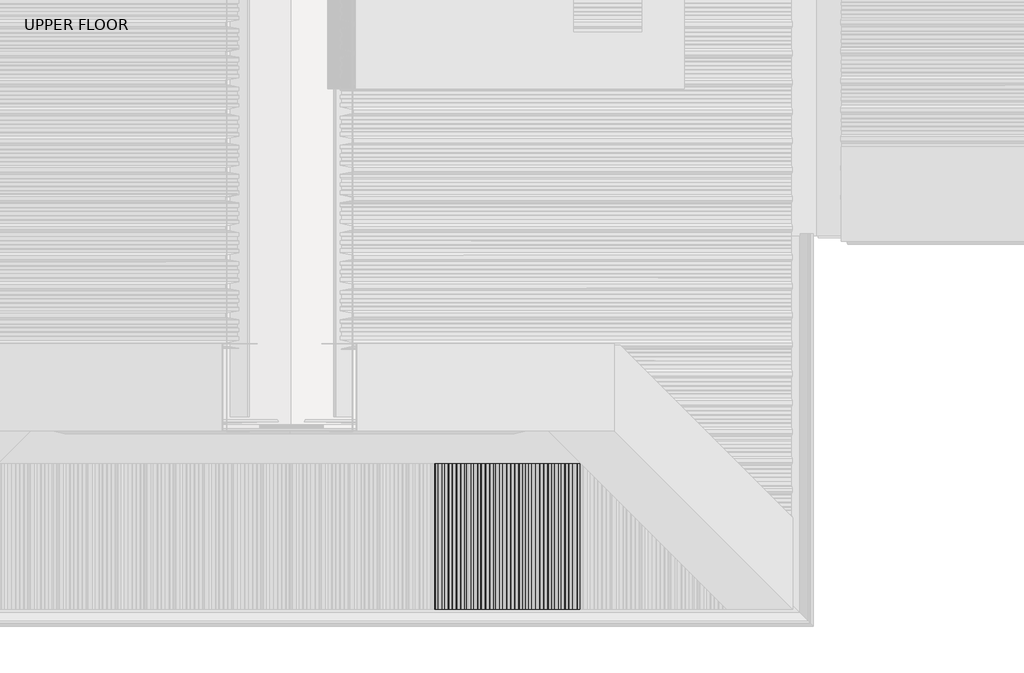
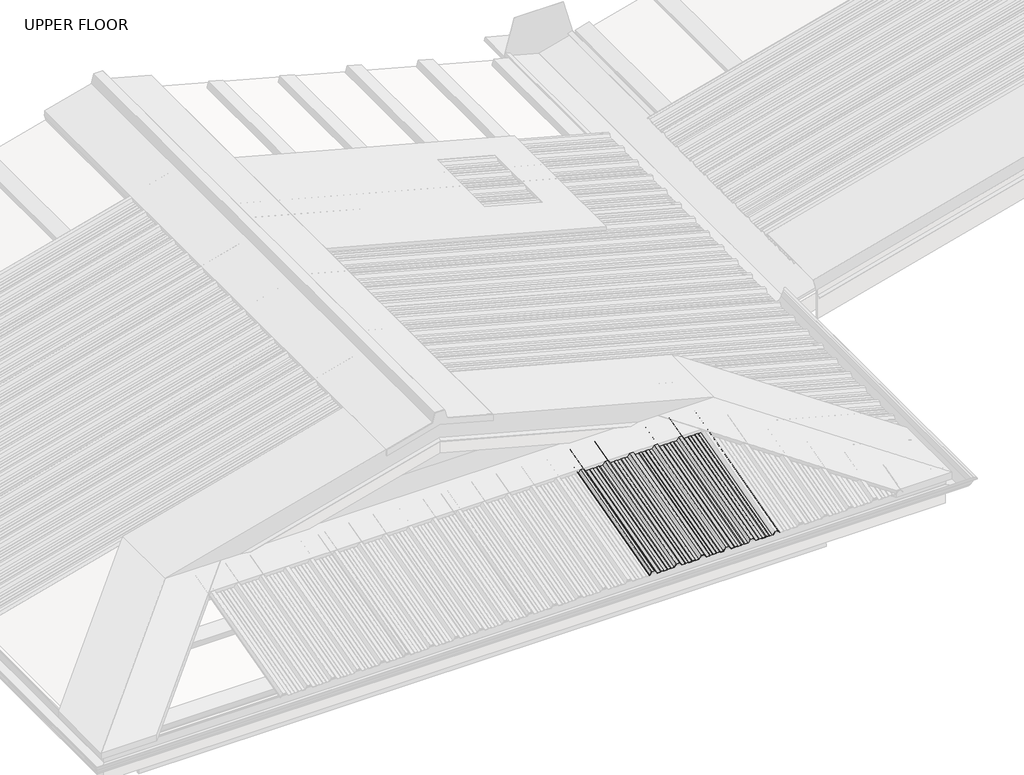
# One storey, part 9 of 18: 1 beam.
"""IFC4 building model written with IfcOpenShell, lengths in millimetres."""

import ifcopenshell
import ifcopenshell.guid

model = None  # the IFC model being written
_history = None  # IfcOwnerHistory: only IFC2X3 demands one
_inside = {}  # id of a spatial element -> (the spatial element, [elements in it])
_under = {}  # id of a project, library or spatial element -> (it, [spatial elements below it])
_declared = {}  # id of a project -> (the project, [libraries it declares])
_typed = {}  # id of a type object -> (the type object, [elements of that type])
_made_of = {}  # id of a material, layer set ... -> (it, [elements and type objects made of it])


def new_model(schema):
    """Start an empty IFC model of exactly this schema.

    Asked for "IFC4X3", IfcOpenShell would pick the latest addendum, in which some entities
    have other attributes; the version numbers below select the first issue.
    IFC2X3 requires an IfcOwnerHistory on every rooted entity: one is made here for all.
    """
    global model, _history
    if schema == "IFC4X3":
        model = ifcopenshell.file(schema_version=(4, 3, 0, 0))
    else:
        model = ifcopenshell.file(schema=schema)
    _inside.clear()
    _under.clear()
    _declared.clear()
    _typed.clear()
    _made_of.clear()
    _history = None
    if model.schema == "IFC2X3":
        org = make("IfcOrganization", Name="unknown")
        user = make(
            "IfcPersonAndOrganization",
            ThePerson=make("IfcPerson", FamilyName="unknown"),
            TheOrganization=org,
        )
        app = make(
            "IfcApplication",
            ApplicationDeveloper=org,
            Version="unknown",
            ApplicationFullName="unknown",
            ApplicationIdentifier="unknown",
        )
        _history = make(
            "IfcOwnerHistory",
            OwningUser=user,
            OwningApplication=app,
            ChangeAction="ADDED",
            CreationDate=0,
        )
    return model


def make(cls, **values):
    """One entity of the class cls with the attributes given. An attribute that is None is left unset."""
    return model.create_entity(
        cls, **{name: value for name, value in values.items() if value is not None}
    )


def rooted(cls, **values):
    """An entity with a GlobalId (a new one), such as an element, a storey or a relation."""
    return make(cls, GlobalId=ifcopenshell.guid.new(), OwnerHistory=_history, **values)


def si_unit(unit_type, name, prefix=None):
    """IfcSIUnit, for example si_unit("LENGTHUNIT", "METRE", prefix="MILLI")."""
    return make("IfcSIUnit", UnitType=unit_type, Prefix=prefix, Name=name)


def assignment(units):
    """IfcUnitAssignment: the units of a project."""
    return None if units is None else make("IfcUnitAssignment", Units=units)


def point(xyz):
    """IfcCartesianPoint."""
    return None if xyz is None else make("IfcCartesianPoint", Coordinates=xyz)


def direction(xyz):
    """IfcDirection."""
    return None if xyz is None else make("IfcDirection", DirectionRatios=xyz)


def frame(location, z_axis=None, x_axis=None):
    """IfcAxis2Placement3D, a coordinate frame: its origin and axes. An axis left out is left unset."""
    return make(
        "IfcAxis2Placement3D",
        Location=point(location),
        Axis=direction(z_axis),
        RefDirection=direction(x_axis),
    )


def origin():
    """The frame at (0, 0, 0) with its axes left unset."""
    return frame((0.0, 0.0, 0.0))


def place(relative_to, where):
    """IfcLocalPlacement: puts the frame where relative to a parent placement (None: the world)."""
    return make(
        "IfcLocalPlacement", PlacementRelTo=relative_to, RelativePlacement=where
    )


def context(
    kind, dimensions, precision=None, world=None, true_north=None, identifier=None
):
    """IfcGeometricRepresentationContext, for example the 3D "Model" context."""
    return make(
        "IfcGeometricRepresentationContext",
        ContextIdentifier=identifier,
        ContextType=kind,
        CoordinateSpaceDimension=dimensions,
        Precision=precision,
        WorldCoordinateSystem=world,
        TrueNorth=true_north,
    )


def project(units=None, contexts=None):
    """IfcProject with its units and contexts."""
    return rooted(
        "IfcProject",
        Name="project",
        RepresentationContexts=contexts,
        UnitsInContext=assignment(units),
    )


def spatial(cls, under=None, at=None, **own):
    """A site, building, storey or space (cls), placed at a placement, below another one or the project."""
    s = rooted(cls, ObjectPlacement=at, **own)
    if under is not None:
        _under.setdefault(under.id(), (under, []))[1].append(s)
    return s


def circle_curve(where, radius):
    """IfcCircle in the frame where."""
    return make("IfcCircle", Position=where, Radius=radius)


def ellipse_curve(where, semi_axis1, semi_axis2):
    """IfcEllipse in the frame where."""
    return make(
        "IfcEllipse", Position=where, SemiAxis1=semi_axis1, SemiAxis2=semi_axis2
    )


def shape(context_of_items, identifier, shape_type, items):
    """IfcShapeRepresentation: the items that make up one representation, for example the "Body"."""
    return make(
        "IfcShapeRepresentation",
        ContextOfItems=context_of_items,
        RepresentationIdentifier=identifier,
        RepresentationType=shape_type,
        Items=items,
    )


def made_of(thing, what):
    """Note that an element or type object is made of a material, layer set ...; save() writes the relation."""
    if what is not None:
        _made_of.setdefault(what.id(), (what, []))[1].append(thing)
    return thing


def element(
    cls,
    number,
    at=None,
    inside=None,
    cuts=None,
    type_object=None,
    material=None,
    context=None,
    identifier="Body",
    shape_type=None,
    held_by="IfcProductDefinitionShape",
    body=None,
    shapes=None,
    **own,
):
    """One element of the class cls, such as IfcWall. Its Tag is "e" and its number.

    at: its placement. inside: the storey or other place that contains it. cuts: it is an
    opening in that element (IfcRelVoidsElement). A single representation is given by context,
    identifier, shape_type and body (its items); several are given by shapes. held_by: the class
    of the entity that holds the representations. save() writes the other relations.
    """
    e = rooted(cls, Tag="e%d" % number, ObjectPlacement=at, **own)
    if body is not None:
        shapes = [shape(context, identifier, shape_type, body)]
    if shapes is not None:
        e.Representation = make(held_by, Representations=shapes)
    if inside is not None:
        _inside.setdefault(inside.id(), (inside, []))[1].append(e)
    if cuts is not None:
        rooted(
            "IfcRelVoidsElement", RelatingBuildingElement=cuts, RelatedOpeningElement=e
        )
    if type_object is not None:
        _typed.setdefault(type_object.id(), (type_object, []))[1].append(e)
    return made_of(e, material)


def aggregate(whole, parts):
    """IfcRelAggregates: a whole, such as a stair, and the parts it consists of."""
    return rooted("IfcRelAggregates", RelatingObject=whole, RelatedObjects=parts)


def save(model, path):
    """Write the relations noted so far, then the file.

    IfcRelAggregates (storeys below a building ...), IfcRelContainedInSpatialStructure (elements
    in a storey), IfcRelDefinesByType, IfcRelAssociatesMaterial and IfcRelDeclares: one each for
    every whole, place, type object, material and project.
    """
    for whole, parts in _under.values():
        aggregate(whole, parts)
    for where, things in _inside.values():
        rooted(
            "IfcRelContainedInSpatialStructure",
            RelatedElements=things,
            RelatingStructure=where,
        )
    for kind, things in _typed.values():
        rooted("IfcRelDefinesByType", RelatedObjects=things, RelatingType=kind)
    for what, things in _made_of.values():
        rooted("IfcRelAssociatesMaterial", RelatedObjects=things, RelatingMaterial=what)
    for by, libraries in _declared.values():
        rooted("IfcRelDeclares", RelatingContext=by, RelatedDefinitions=libraries)
    model.write(path)


def plane_surface(at):
    """IfcPlane: the flat surface through the origin of the frame at, square to its z axis."""
    return make("IfcPlane", Position=at)


def cylinder_surface(at, radius):
    """IfcCylindricalSurface: all points at the distance radius from the z axis of the frame at."""
    return make("IfcCylindricalSurface", Position=at, Radius=radius)


def advanced_brep(points, edges, surfaces, faces):
    """IfcAdvancedBrep: a solid bounded by faces that lie on surfaces and meet in shared edges.

    An edge is (start, end): straight between two places in points (the first is 0);
    or (start, end, curve); or (start, end, curve, False) where it runs against its curve.
    A face is (place in surfaces, loops), or (place, loops, False) where it looks against
    its surface's normal. A loop lists edges by number (the first is 1), with a minus sign
    where the edge is run from its end to its start. The first loop is the outer one.
    """
    corners = [point(p) for p in points]
    vertices = [make("IfcVertexPoint", VertexGeometry=c) for c in corners]
    made = []
    for start, end, *more in edges:
        made.append(
            make(
                "IfcEdgeCurve",
                EdgeStart=vertices[start],
                EdgeEnd=vertices[end],
                EdgeGeometry=more[0] if more else make("IfcPolyline", Points=[corners[start], corners[end]]),
                SameSense=more[1] if len(more) > 1 else True,
            )
        )
    hull = []
    for where, loops, *sense in faces:
        bounds = []
        for j, loop in enumerate(loops):
            ring = [make("IfcOrientedEdge", EdgeElement=made[abs(k) - 1], Orientation=k > 0) for k in loop]
            bounds.append(
                make(
                    "IfcFaceOuterBound" if j == 0 else "IfcFaceBound",
                    Bound=make("IfcEdgeLoop", EdgeList=ring),
                    Orientation=True,
                )
            )
        hull.append(make("IfcAdvancedFace", Bounds=bounds, FaceSurface=surfaces[where], SameSense=sense[0] if sense else True))
    return make("IfcAdvancedBrep", Outer=make("IfcClosedShell", CfsFaces=hull))


model = new_model("IFC4")

# Units and contexts
model_context = context("Model", 3, world=origin())
ifc_project = project(units=[si_unit("LENGTHUNIT", "METRE", prefix="MILLI")], contexts=[model_context])

# Site, building, storey
site = spatial("IfcSite", under=ifc_project)
building = spatial("IfcBuilding", under=site)
storey = spatial("IfcBuildingStorey", under=building, Name="UPPER FLOOR", Elevation=2700.0)

# Beam
placement = place(None, origin())
element("IfcBeam", 1, at=placement, inside=storey, context=model_context, shape_type="AdvancedBrep", body=[
    advanced_brep(
    [(3364.3188541, -3764.7308776, 3532.1969247), (3350.8194638, -3760.0721348, 3514.8102598), (3332.6633813, -3760.0721348, 3514.8102598), (3328.5367793, -3760.5897729, 3516.7421115), (3310.9299442, -3760.5897729, 3516.7421115), (3307.6657802, -3760.0721348, 3514.8102598), (3288.8928065, -3760.0721348, 3514.8102598), (3285.851348, -3760.5897729, 3516.7421115), (3270.1855441, -3760.5897729, 3516.7421115), (3267.1419022, -3760.0721348, 3514.8102598), (3246.8194638, -3760.0721348, 3514.8102598), (3233.3200734, -3764.7308776, 3532.1969247), (3214.3188541, -3764.7308776, 3532.1969247), (3200.8194638, -3760.0721348, 3514.8102598), (3182.6633813, -3760.0721348, 3514.8102598), (3178.5367793, -3760.5897729, 3516.7421115), (3160.9299442, -3760.5897729, 3516.7421115), (3157.6657802, -3760.0721348, 3514.8102598), (3138.8928065, -3760.0721348, 3514.8102598), (3135.851348, -3760.5897729, 3516.7421115), (3120.1855441, -3760.5897729, 3516.7421115), (3117.1419022, -3760.0721348, 3514.8102598), (3096.8194638, -3760.0721348, 3514.8102598), (3083.3200734, -3764.7308776, 3532.1969247), (3064.3188541, -3764.7308776, 3532.1969247), (3050.8194638, -3760.0721348, 3514.8102598), (3032.6633813, -3760.0721348, 3514.8102598), (3028.5367793, -3760.5897729, 3516.7421115), (3010.9299442, -3760.5897729, 3516.7421115), (3007.6657802, -3760.0721348, 3514.8102598), (2988.8928065, -3760.0721348, 3514.8102598), (2985.851348, -3760.5897729, 3516.7421115), (2970.1855441, -3760.5897729, 3516.7421115), (2967.1419022, -3760.0721348, 3514.8102598), (2946.8194638, -3760.0721348, 3514.8102598), (2933.3200734, -3764.7308776, 3532.1969247), (2914.3188541, -3764.7308776, 3532.1969247), (2900.8194638, -3760.0721348, 3514.8102598), (2882.6633813, -3760.0721348, 3514.8102598), (2878.5367793, -3760.5897729, 3516.7421115), (2860.9299442, -3760.5897729, 3516.7421115), (2857.6657802, -3760.0721348, 3514.8102598), (2838.8928065, -3760.0721348, 3514.8102598), (2835.851348, -3760.5897729, 3516.7421115), (2820.1855441, -3760.5897729, 3516.7421115), (2817.1419022, -3760.0721348, 3514.8102598), (2796.8194638, -3760.0721348, 3514.8102598), (2783.3200734, -3764.7308776, 3532.1969247), (2764.3188541, -3764.7308776, 3532.1969247), (2752.319396, -3760.5897729, 3516.7421115), (2748.6460788, -3760.5897729, 3516.7421115), (2748.6460788, -3760.8485919, 3517.7080373), (2751.8200056, -3760.8485919, 3517.7080373), (2763.8194638, -3764.9896966, 3533.1628505), (2783.8194638, -3764.9896966, 3533.1628505), (2797.3188541, -3760.3309538, 3515.7761857), (2816.8427512, -3760.3309538, 3515.7761857), (2819.8863931, -3760.8485919, 3517.7080373), (2836.1506785, -3760.8485919, 3517.7080373), (2839.192137, -3760.3309538, 3515.7761857), (2857.3837849, -3760.3309538, 3515.7761857), (2860.6479489, -3760.8485919, 3517.7080373), (2878.7663392, -3760.8485919, 3517.7080373), (2882.8929412, -3760.3309538, 3515.7761857), (2900.3200734, -3760.3309538, 3515.7761857), (2913.8194638, -3764.9896966, 3533.1628505), (2933.8194638, -3764.9896966, 3533.1628505), (2947.3188541, -3760.3309538, 3515.7761857), (2966.8427512, -3760.3309538, 3515.7761857), (2969.8863931, -3760.8485919, 3517.7080373), (2986.1506785, -3760.8485919, 3517.7080373), (2989.192137, -3760.3309538, 3515.7761857), (3007.3837849, -3760.3309538, 3515.7761857), (3010.6479489, -3760.8485919, 3517.7080373), (3028.7663392, -3760.8485919, 3517.7080373), (3032.8929412, -3760.3309538, 3515.7761857), (3050.3200734, -3760.3309538, 3515.7761857), (3063.8194638, -3764.9896966, 3533.1628505), (3083.8194638, -3764.9896966, 3533.1628505), (3097.3188541, -3760.3309538, 3515.7761857), (3116.8427512, -3760.3309538, 3515.7761857), (3119.8863931, -3760.8485919, 3517.7080373), (3136.1506785, -3760.8485919, 3517.7080373), (3139.192137, -3760.3309538, 3515.7761857), (3157.3837849, -3760.3309538, 3515.7761857), (3160.6479489, -3760.8485919, 3517.7080373), (3178.7663392, -3760.8485919, 3517.7080373), (3182.8929412, -3760.3309538, 3515.7761857), (3200.3200734, -3760.3309538, 3515.7761857), (3213.8194638, -3764.9896966, 3533.1628505), (3233.8194638, -3764.9896966, 3533.1628505), (3247.3188541, -3760.3309538, 3515.7761857), (3266.8427512, -3760.3309538, 3515.7761857), (3269.8863931, -3760.8485919, 3517.7080373), (3286.1506785, -3760.8485919, 3517.7080373), (3289.192137, -3760.3309538, 3515.7761857), (3307.3837849, -3760.3309538, 3515.7761857), (3310.6479489, -3760.8485919, 3517.7080373), (3328.7663392, -3760.8485919, 3517.7080373), (3332.8929412, -3760.3309538, 3515.7761857), (3350.3200734, -3760.3309538, 3515.7761857), (3363.8194638, -3764.9896966, 3533.1628505), (3383.8194638, -3764.9896966, 3533.1628505), (3397.3188541, -3760.3309538, 3515.7761857), (3416.8427512, -3760.3309538, 3515.7761857), (3419.8863931, -3760.8485919, 3517.7080373), (3436.1506785, -3760.8485919, 3517.7080373), (3439.192137, -3760.3309538, 3515.7761857), (3457.3837849, -3760.3309538, 3515.7761857), (3460.6479489, -3760.8485919, 3517.7080373), (3478.7663392, -3760.8485919, 3517.7080373), (3482.8929412, -3760.3309538, 3515.7761857), (3502.8200327, -3760.3309538, 3515.7761857), (3514.8194908, -3764.4720586, 3531.2309989), (3532.8194367, -3764.4720586, 3531.2309989), (3544.476707, -3760.4490454, 3516.2169095), (3543.6770929, -3760.2938359, 3515.6376597), (3532.3200463, -3764.2132395, 3530.265073), (3515.3188812, -3764.2132395, 3530.265073), (3503.3194231, -3760.0721348, 3514.8102598), (3482.6633813, -3760.0721348, 3514.8102598), (3478.5367793, -3760.5897729, 3516.7421115), (3460.9299442, -3760.5897729, 3516.7421115), (3457.6657802, -3760.0721348, 3514.8102598), (3438.8928065, -3760.0721348, 3514.8102598), (3435.851348, -3760.5897729, 3516.7421115), (3420.1855441, -3760.5897729, 3516.7421115), (3417.1419022, -3760.0721348, 3514.8102598), (3396.8194638, -3760.0721348, 3514.8102598), (3383.3200734, -3764.7308776, 3532.1969247), (3350.8194638, -4660.4975954, 3273.5419848), (3332.6633813, -4660.4975954, 3273.5419848), (3328.5367793, -4660.4975954, 3275.6125372), (3310.9299442, -4660.4975954, 3275.6125372), (3307.6657802, -4660.4975954, 3273.5419848), (3288.8928065, -4660.4975954, 3273.5419848), (3285.851348, -4660.4975954, 3275.6125372), (3270.1855441, -4660.4975954, 3275.6125372), (3267.1419022, -4660.4975954, 3273.5419848), (3246.8194638, -4660.4975954, 3273.5419848), (3233.3200734, -4660.4975954, 3292.176956), (3214.3188541, -4660.4975954, 3292.176956), (3200.8194638, -4660.4975954, 3273.5419848), (3182.6633813, -4660.4975954, 3273.5419848), (3178.5367793, -4660.4975954, 3275.6125372), (3160.9299442, -4660.4975954, 3275.6125372), (3157.6657802, -4660.4975954, 3273.5419848), (3138.8928065, -4660.4975954, 3273.5419848), (3135.851348, -4660.4975954, 3275.6125372), (3120.1855441, -4660.4975954, 3275.6125372), (3117.1419022, -4660.4975954, 3273.5419848), (3096.8194638, -4660.4975954, 3273.5419848), (3083.3200734, -4660.4975954, 3292.176956), (3064.3188541, -4660.4975954, 3292.176956), (3050.8194638, -4660.4975954, 3273.5419848), (3032.6633813, -4660.4975954, 3273.5419848), (3028.5367793, -4660.4975954, 3275.6125372), (3010.9299442, -4660.4975954, 3275.6125372), (3007.6657802, -4660.4975954, 3273.5419848), (2988.8928065, -4660.4975954, 3273.5419848), (2985.851348, -4660.4975954, 3275.6125372), (2970.1855441, -4660.4975954, 3275.6125372), (2967.1419022, -4660.4975954, 3273.5419848), (2946.8194638, -4660.4975954, 3273.5419848), (2933.3200734, -4660.4975954, 3292.176956), (2914.3188541, -4660.4975954, 3292.176956), (2900.8194638, -4660.4975954, 3273.5419848), (2882.6633813, -4660.4975954, 3273.5419848), (2878.5367793, -4660.4975954, 3275.6125372), (2860.9299442, -4660.4975954, 3275.6125372), (2857.6657802, -4660.4975954, 3273.5419848), (2838.8928065, -4660.4975954, 3273.5419848), (2835.851348, -4660.4975954, 3275.6125372), (2820.1855441, -4660.4975954, 3275.6125372), (2817.1419022, -4660.4975954, 3273.5419848), (2796.8194638, -4660.4975954, 3273.5419848), (2783.3200734, -4660.4975954, 3292.176956), (2764.3188541, -4660.4975954, 3292.176956), (2752.319396, -4660.4975954, 3275.6125372), (2748.6460788, -4660.4975954, 3275.6125372), (2748.6460788, -4660.4975954, 3276.6478133), (2751.8200056, -4660.4975954, 3276.6478133), (2763.8194638, -4660.4975954, 3293.2122322), (2783.8194638, -4660.4975954, 3293.2122322), (2797.3188541, -4660.4975954, 3274.577261), (2816.8427512, -4660.4975954, 3274.577261), (2819.8863931, -4660.4975954, 3276.6478133), (2836.1506785, -4660.4975954, 3276.6478133), (2839.192137, -4660.4975954, 3274.577261), (2857.3837849, -4660.4975954, 3274.577261), (2860.6479489, -4660.4975954, 3276.6478133), (2878.7663392, -4660.4975954, 3276.6478133), (2882.8929412, -4660.4975954, 3274.577261), (2900.3200734, -4660.4975954, 3274.577261), (2913.8194638, -4660.4975954, 3293.2122322), (2933.8194638, -4660.4975954, 3293.2122322), (2947.3188541, -4660.4975954, 3274.577261), (2966.8427512, -4660.4975954, 3274.577261), (2969.8863931, -4660.4975954, 3276.6478133), (2986.1506785, -4660.4975954, 3276.6478133), (2989.192137, -4660.4975954, 3274.577261), (3007.3837849, -4660.4975954, 3274.577261), (3010.6479489, -4660.4975954, 3276.6478133), (3028.7663392, -4660.4975954, 3276.6478133), (3032.8929412, -4660.4975954, 3274.577261), (3050.3200734, -4660.4975954, 3274.577261), (3063.8194638, -4660.4975954, 3293.2122322), (3083.8194638, -4660.4975954, 3293.2122322), (3097.3188541, -4660.4975954, 3274.577261), (3116.8427512, -4660.4975954, 3274.577261), (3119.8863931, -4660.4975954, 3276.6478133), (3136.1506785, -4660.4975954, 3276.6478133), (3139.192137, -4660.4975954, 3274.577261), (3157.3837849, -4660.4975954, 3274.577261), (3160.6479489, -4660.4975954, 3276.6478133), (3178.7663392, -4660.4975954, 3276.6478133), (3182.8929412, -4660.4975954, 3274.577261), (3200.3200734, -4660.4975954, 3274.577261), (3213.8194638, -4660.4975954, 3293.2122322), (3233.8194638, -4660.4975954, 3293.2122322), (3247.3188541, -4660.4975954, 3274.577261), (3266.8427512, -4660.4975954, 3274.577261), (3269.8863931, -4660.4975954, 3276.6478133), (3286.1506785, -4660.4975954, 3276.6478133), (3289.192137, -4660.4975954, 3274.577261), (3307.3837849, -4660.4975954, 3274.577261), (3310.6479489, -4660.4975954, 3276.6478133), (3328.7663392, -4660.4975954, 3276.6478133), (3332.8929412, -4660.4975954, 3274.577261), (3350.3200734, -4660.4975954, 3274.577261), (3363.8194638, -4660.4975954, 3293.2122322), (3383.8194638, -4660.4975954, 3293.2122322), (3397.3188541, -4660.4975954, 3274.577261), (3416.8427512, -4660.4975954, 3274.577261), (3419.8863931, -4660.4975954, 3276.6478133), (3436.1506785, -4660.4975954, 3276.6478133), (3439.192137, -4660.4975954, 3274.577261), (3457.3837849, -4660.4975954, 3274.577261), (3460.6479489, -4660.4975954, 3276.6478133), (3478.7663392, -4660.4975954, 3276.6478133), (3482.8929412, -4660.4975954, 3274.577261), (3502.8200327, -4660.4975954, 3274.577261), (3514.8194908, -4660.4975954, 3291.1416799), (3532.8194367, -4660.4975954, 3291.1416799), (3364.3188541, -4660.4975954, 3292.176956), (3544.476707, -4660.4975954, 3275.0496274), (3543.6770929, -4660.4975954, 3274.4287893), (3532.3200463, -4660.4975954, 3290.1064037), (3515.3188812, -4660.4975954, 3290.1064037), (3503.3194231, -4660.4975954, 3273.5419848), (3482.6633813, -4660.4975954, 3273.5419848), (3478.5367793, -4660.4975954, 3275.6125372), (3460.9299442, -4660.4975954, 3275.6125372), (3457.6657802, -4660.4975954, 3273.5419848), (3438.8928065, -4660.4975954, 3273.5419848), (3435.851348, -4660.4975954, 3275.6125372), (3420.1855441, -4660.4975954, 3275.6125372), (3417.1419022, -4660.4975954, 3273.5419848), (3396.8194638, -4660.4975954, 3273.5419848), (3383.3200734, -4660.4975954, 3292.176956)],
    [
        (0, 1),
        (1, 2),
        (2, 3),
        (3, 4),
        (4, 5),
        (5, 6),
        (6, 7),
        (7, 8),
        (8, 9),
        (9, 10),
        (10, 11),
        (11, 12),
        (12, 13),
        (13, 14),
        (14, 15),
        (15, 16),
        (16, 17),
        (17, 18),
        (18, 19),
        (19, 20),
        (20, 21),
        (21, 22),
        (22, 23),
        (23, 24),
        (24, 25),
        (25, 26),
        (26, 27),
        (27, 28),
        (28, 29),
        (29, 30),
        (30, 31),
        (31, 32),
        (32, 33),
        (33, 34),
        (34, 35),
        (35, 36),
        (36, 37),
        (37, 38),
        (38, 39),
        (39, 40),
        (40, 41),
        (41, 42),
        (42, 43),
        (43, 44),
        (44, 45),
        (45, 46),
        (46, 47),
        (47, 48),
        (48, 49),
        (49, 50),
        (50, 51, circle_curve(frame((2748.6460788, -3760.7191824, 3517.2250744), z_axis=(0.0, 0.9659258262890683, 0.2588190451025206), x_axis=(-1.0000000000000002, 0.0, 0.0)), 0.5)),
        (51, 52),
        (52, 53),
        (53, 54),
        (54, 55),
        (55, 56),
        (56, 57),
        (57, 58),
        (58, 59),
        (59, 60),
        (60, 61),
        (61, 62),
        (62, 63),
        (63, 64),
        (64, 65),
        (65, 66),
        (66, 67),
        (67, 68),
        (68, 69),
        (69, 70),
        (70, 71),
        (71, 72),
        (72, 73),
        (73, 74),
        (74, 75),
        (75, 76),
        (76, 77),
        (77, 78),
        (78, 79),
        (79, 80),
        (80, 81),
        (81, 82),
        (82, 83),
        (83, 84),
        (84, 85),
        (85, 86),
        (86, 87),
        (87, 88),
        (88, 89),
        (89, 90),
        (90, 91),
        (91, 92),
        (92, 93),
        (93, 94),
        (94, 95),
        (95, 96),
        (96, 97),
        (97, 98),
        (98, 99),
        (99, 100),
        (100, 101),
        (101, 102),
        (102, 103),
        (103, 104),
        (104, 105),
        (105, 106),
        (106, 107),
        (107, 108),
        (108, 109),
        (109, 110),
        (110, 111),
        (111, 112),
        (112, 113),
        (113, 114),
        (114, 115),
        (115, 116, circle_curve(frame((3544.0769, -3760.3714407, 3515.9272846), z_axis=(0.0, 0.9659258262890683, 0.2588190451025206), x_axis=(-1.0000000000000002, 0.0, 0.0)), 0.4997507)),
        (116, 117),
        (117, 118),
        (118, 119),
        (119, 120),
        (120, 121),
        (121, 122),
        (122, 123),
        (123, 124),
        (124, 125),
        (125, 126),
        (126, 127),
        (127, 128),
        (128, 129),
        (129, 0),
        (1, 130),
        (130, 131),
        (131, 2),
        (131, 132),
        (132, 3),
        (132, 133),
        (133, 4),
        (133, 134),
        (134, 5),
        (134, 135),
        (135, 6),
        (135, 136),
        (136, 7),
        (136, 137),
        (137, 8),
        (137, 138),
        (138, 9),
        (138, 139),
        (139, 10),
        (139, 140),
        (140, 11),
        (140, 141),
        (141, 12),
        (141, 142),
        (142, 13),
        (142, 143),
        (143, 14),
        (143, 144),
        (144, 15),
        (144, 145),
        (145, 16),
        (145, 146),
        (146, 17),
        (146, 147),
        (147, 18),
        (147, 148),
        (148, 19),
        (148, 149),
        (149, 20),
        (149, 150),
        (150, 21),
        (150, 151),
        (151, 22),
        (151, 152),
        (152, 23),
        (152, 153),
        (153, 24),
        (153, 154),
        (154, 25),
        (154, 155),
        (155, 26),
        (155, 156),
        (156, 27),
        (156, 157),
        (157, 28),
        (157, 158),
        (158, 29),
        (158, 159),
        (159, 30),
        (159, 160),
        (160, 31),
        (160, 161),
        (161, 32),
        (161, 162),
        (162, 33),
        (162, 163),
        (163, 34),
        (163, 164),
        (164, 35),
        (164, 165),
        (165, 36),
        (165, 166),
        (166, 37),
        (166, 167),
        (167, 38),
        (167, 168),
        (168, 39),
        (168, 169),
        (169, 40),
        (169, 170),
        (170, 41),
        (170, 171),
        (171, 42),
        (171, 172),
        (172, 43),
        (172, 173),
        (173, 44),
        (173, 174),
        (174, 45),
        (174, 175),
        (175, 46),
        (175, 176),
        (176, 47),
        (176, 177),
        (177, 48),
        (177, 178),
        (178, 49),
        (178, 179),
        (179, 50),
        (179, 180, ellipse_curve(frame((2748.6460788, -4660.4975954, 3276.1301752), z_axis=(0.0, 1.0, 0.0), x_axis=(0.0, 0.0, 1.0)), 0.5176381, 0.5)),
        (180, 51),
        (180, 181),
        (181, 52),
        (181, 182),
        (182, 53),
        (182, 183),
        (183, 54),
        (183, 184),
        (184, 55),
        (184, 185),
        (185, 56),
        (185, 186),
        (186, 57),
        (186, 187),
        (187, 58),
        (187, 188),
        (188, 59),
        (188, 189),
        (189, 60),
        (189, 190),
        (190, 61),
        (190, 191),
        (191, 62),
        (191, 192),
        (192, 63),
        (192, 193),
        (193, 64),
        (193, 194),
        (194, 65),
        (194, 195),
        (195, 66),
        (195, 196),
        (196, 67),
        (196, 197),
        (197, 68),
        (197, 198),
        (198, 69),
        (198, 199),
        (199, 70),
        (199, 200),
        (200, 71),
        (200, 201),
        (201, 72),
        (201, 202),
        (202, 73),
        (202, 203),
        (203, 74),
        (203, 204),
        (204, 75),
        (204, 205),
        (205, 76),
        (205, 206),
        (206, 77),
        (206, 207),
        (207, 78),
        (207, 208),
        (208, 79),
        (208, 209),
        (209, 80),
        (209, 210),
        (210, 81),
        (210, 211),
        (211, 82),
        (211, 212),
        (212, 83),
        (212, 213),
        (213, 84),
        (213, 214),
        (214, 85),
        (214, 215),
        (215, 86),
        (215, 216),
        (216, 87),
        (216, 217),
        (217, 88),
        (217, 218),
        (218, 89),
        (218, 219),
        (219, 90),
        (219, 220),
        (220, 91),
        (220, 221),
        (221, 92),
        (221, 222),
        (222, 93),
        (222, 223),
        (223, 94),
        (223, 224),
        (224, 95),
        (224, 225),
        (225, 96),
        (225, 226),
        (226, 97),
        (226, 227),
        (227, 98),
        (227, 228),
        (228, 99),
        (228, 229),
        (229, 100),
        (229, 230),
        (230, 101),
        (230, 231),
        (231, 102),
        (231, 232),
        (232, 103),
        (232, 233),
        (233, 104),
        (233, 234),
        (234, 105),
        (234, 235),
        (235, 106),
        (235, 236),
        (236, 107),
        (236, 237),
        (237, 108),
        (237, 238),
        (238, 109),
        (238, 239),
        (239, 110),
        (239, 240),
        (240, 111),
        (240, 241),
        (241, 112),
        (241, 242),
        (242, 113),
        (242, 243),
        (243, 114),
        (0, 244),
        (244, 130),
        (243, 245),
        (245, 115),
        (245, 246, ellipse_curve(frame((3544.0769, -4660.4975954, 3274.7392084), z_axis=(0.0, 1.0, 0.0), x_axis=(0.0, 0.0, 1.0)), 0.51738, 0.4997507)),
        (246, 116),
        (246, 247),
        (247, 117),
        (247, 248),
        (248, 118),
        (248, 249),
        (249, 119),
        (249, 250),
        (250, 120),
        (250, 251),
        (251, 121),
        (251, 252),
        (252, 122),
        (252, 253),
        (253, 123),
        (253, 254),
        (254, 124),
        (254, 255),
        (255, 125),
        (255, 256),
        (256, 126),
        (256, 257),
        (257, 127),
        (257, 258),
        (258, 128),
        (258, 259),
        (259, 129),
        (259, 244),
    ],
    [
        plane_surface(frame((3364.3188541, -3764.7308776, 3532.1969247), z_axis=(0.0, 0.9659258262890682, 0.2588190451025203), x_axis=(-0.5999826594493575, 0.20705860205458618, -0.7727532230118983))),
        plane_surface(frame((3350.8194638, -3760.0721348, 3514.8102598), z_axis=(0.0, 0.2588190451025206, -0.9659258262890683), x_axis=(0.0, -0.9659258262890683, -0.2588190451025206))),
        plane_surface(frame((3332.6633813, -3760.0721348, 3514.8102598), z_axis=(-0.4361363616997869, 0.23290623468573943, -0.8692179012467379), x_axis=(0.0, -0.9659258262890683, -0.2588190451025206))),
        plane_surface(frame((3328.5367793, -3760.5897729, 3516.7421115), z_axis=(0.0, 0.2588190451025206, -0.9659258262890683), x_axis=(0.0, -0.9659258262890683, -0.2588190451025206))),
        plane_surface(frame((3310.9299442, -3760.5897729, 3516.7421115), z_axis=(0.5224449573493026, 0.22068801492462864, -0.8236188843202371), x_axis=(0.0, -0.9659258262890683, -0.2588190451025206))),
        plane_surface(frame((3307.6657802, -3760.0721348, 3514.8102598), z_axis=(0.0, 0.2588190451025206, -0.9659258262890683), x_axis=(0.0, -0.9659258262890683, -0.2588190451025206))),
        plane_surface(frame((3288.8928065, -3760.0721348, 3514.8102598), z_axis=(-0.5494325148836686, 0.21625317242009726, -0.8070678267697524), x_axis=(0.0, -0.9659258262890683, -0.2588190451025206))),
        plane_surface(frame((3285.851348, -3760.5897729, 3516.7421115), z_axis=(0.0, 0.2588190451025206, -0.9659258262890683), x_axis=(0.0, -0.9659258262890683, -0.2588190451025206))),
        plane_surface(frame((3270.1855441, -3760.5897729, 3516.7421115), z_axis=(0.5491572662555921, 0.21630000128988627, -0.8072425944910736), x_axis=(0.0, -0.9659258262890683, -0.2588190451025206))),
        plane_surface(frame((3267.1419022, -3760.0721348, 3514.8102598), z_axis=(0.0, 0.2588190451025206, -0.9659258262890683), x_axis=(0.0, -0.9659258262890683, -0.2588190451025206))),
        plane_surface(frame((3246.8194638, -3760.0721348, 3514.8102598), z_axis=(-0.8000130051193381, 0.1552869389967553, -0.5795387460877346), x_axis=(0.0, -0.9659258262890683, -0.2588190451025206))),
        plane_surface(frame((3233.3200734, -3764.7308776, 3532.1969247), z_axis=(0.0, 0.2588190451025206, -0.9659258262890683), x_axis=(0.0, -0.9659258262890683, -0.2588190451025206))),
        plane_surface(frame((3214.3188541, -3764.7308776, 3532.1969247), z_axis=(0.8000130051193399, 0.15528693899675203, -0.5795387460877333), x_axis=(0.0, -0.9659258262890683, -0.2588190451025206))),
        plane_surface(frame((3200.8194638, -3760.0721348, 3514.8102598), z_axis=(0.0, 0.2588190451025206, -0.9659258262890683), x_axis=(0.0, -0.9659258262890683, -0.2588190451025206))),
        plane_surface(frame((3182.6633813, -3760.0721348, 3514.8102598), z_axis=(-0.43613636169978254, 0.23290623468573998, -0.86921790124674), x_axis=(0.0, -0.9659258262890683, -0.2588190451025206))),
        plane_surface(frame((3178.5367793, -3760.5897729, 3516.7421115), z_axis=(0.0, 0.2588190451025206, -0.9659258262890683), x_axis=(0.0, -0.9659258262890683, -0.2588190451025206))),
        plane_surface(frame((3160.9299442, -3760.5897729, 3516.7421115), z_axis=(0.5224449573492956, 0.22068801492462986, -0.8236188843202413), x_axis=(0.0, -0.9659258262890683, -0.2588190451025206))),
        plane_surface(frame((3157.6657802, -3760.0721348, 3514.8102598), z_axis=(0.0, 0.2588190451025206, -0.9659258262890683), x_axis=(0.0, -0.9659258262890683, -0.2588190451025206))),
        plane_surface(frame((3138.8928065, -3760.0721348, 3514.8102598), z_axis=(-0.5494325148836601, 0.21625317242009867, -0.8070678267697579), x_axis=(0.0, -0.9659258262890683, -0.2588190451025206))),
        plane_surface(frame((3135.851348, -3760.5897729, 3516.7421115), z_axis=(0.0, 0.2588190451025206, -0.9659258262890683), x_axis=(0.0, -0.9659258262890683, -0.2588190451025206))),
        plane_surface(frame((3120.1855441, -3760.5897729, 3516.7421115), z_axis=(0.5491572662555921, 0.21630000128988627, -0.8072425944910736), x_axis=(0.0, -0.9659258262890683, -0.2588190451025206))),
        plane_surface(frame((3117.1419022, -3760.0721348, 3514.8102598), z_axis=(0.0, 0.2588190451025206, -0.9659258262890683), x_axis=(0.0, -0.9659258262890683, -0.2588190451025206))),
        plane_surface(frame((3096.8194638, -3760.0721348, 3514.8102598), z_axis=(-0.8000130051193369, 0.1552869389967557, -0.5795387460877361), x_axis=(0.0, -0.9659258262890683, -0.2588190451025206))),
        plane_surface(frame((3083.3200734, -3764.7308776, 3532.1969247), z_axis=(0.0, 0.2588190451025206, -0.9659258262890683), x_axis=(0.0, -0.9659258262890683, -0.2588190451025206))),
        plane_surface(frame((3064.3188541, -3764.7308776, 3532.1969247), z_axis=(0.8000130051193418, 0.15528693899675125, -0.5795387460877306), x_axis=(0.0, -0.9659258262890683, -0.2588190451025206))),
        plane_surface(frame((3050.8194638, -3760.0721348, 3514.8102598), z_axis=(0.0, 0.2588190451025206, -0.9659258262890683), x_axis=(0.0, -0.9659258262890683, -0.2588190451025206))),
        plane_surface(frame((3032.6633813, -3760.0721348, 3514.8102598), z_axis=(-0.43613636169979125, 0.23290623468573884, -0.8692179012467358), x_axis=(0.0, -0.9659258262890683, -0.2588190451025206))),
        plane_surface(frame((3028.5367793, -3760.5897729, 3516.7421115), z_axis=(0.0, 0.2588190451025206, -0.9659258262890683), x_axis=(0.0, -0.9659258262890683, -0.2588190451025206))),
        plane_surface(frame((3010.9299442, -3760.5897729, 3516.7421115), z_axis=(0.5224449573492987, 0.22068801492462933, -0.8236188843202394), x_axis=(0.0, -0.9659258262890683, -0.2588190451025206))),
        plane_surface(frame((3007.6657802, -3760.0721348, 3514.8102598), z_axis=(0.0, 0.2588190451025206, -0.9659258262890683), x_axis=(0.0, -0.9659258262890683, -0.2588190451025206))),
        plane_surface(frame((2988.8928065, -3760.0721348, 3514.8102598), z_axis=(-0.5494325148836686, 0.21625317242009723, -0.8070678267697524), x_axis=(0.0, -0.9659258262890683, -0.2588190451025206))),
        plane_surface(frame((2985.851348, -3760.5897729, 3516.7421115), z_axis=(0.0, 0.2588190451025206, -0.9659258262890683), x_axis=(0.0, -0.9659258262890683, -0.2588190451025206))),
        plane_surface(frame((2970.1855441, -3760.5897729, 3516.7421115), z_axis=(0.5491572662555921, 0.2163000012898863, -0.8072425944910736), x_axis=(0.0, -0.9659258262890683, -0.2588190451025206))),
        plane_surface(frame((2967.1419022, -3760.0721348, 3514.8102598), z_axis=(0.0, 0.2588190451025206, -0.9659258262890683), x_axis=(0.0, -0.9659258262890683, -0.2588190451025206))),
        plane_surface(frame((2946.8194638, -3760.0721348, 3514.8102598), z_axis=(-0.8000130051193386, 0.1552869389967552, -0.5795387460877344), x_axis=(0.0, -0.9659258262890683, -0.2588190451025206))),
        plane_surface(frame((2933.3200734, -3764.7308776, 3532.1969247), z_axis=(0.0, 0.2588190451025206, -0.9659258262890683), x_axis=(0.0, -0.9659258262890683, -0.2588190451025206))),
        plane_surface(frame((2914.3188541, -3764.7308776, 3532.1969247), z_axis=(0.8000130051193374, 0.15528693899675292, -0.5795387460877364), x_axis=(0.0, -0.9659258262890683, -0.2588190451025206))),
        plane_surface(frame((2900.8194638, -3760.0721348, 3514.8102598), z_axis=(0.0, 0.2588190451025206, -0.9659258262890683), x_axis=(0.0, -0.9659258262890683, -0.2588190451025206))),
        plane_surface(frame((2882.6633813, -3760.0721348, 3514.8102598), z_axis=(-0.43613636169980247, 0.23290623468573748, -0.8692179012467306), x_axis=(0.0, -0.9659258262890683, -0.2588190451025206))),
        plane_surface(frame((2878.5367793, -3760.5897729, 3516.7421115), z_axis=(0.0, 0.25881904510252063, -0.9659258262890683), x_axis=(0.0, -0.9659258262890683, -0.25881904510252063))),
        plane_surface(frame((2860.9299442, -3760.5897729, 3516.7421115), z_axis=(0.5224449573492934, 0.22068801492463008, -0.8236188843202427), x_axis=(0.0, -0.9659258262890683, -0.2588190451025205))),
        plane_surface(frame((2857.6657802, -3760.0721348, 3514.8102598), z_axis=(0.0, 0.2588190451025206, -0.9659258262890683), x_axis=(0.0, -0.9659258262890683, -0.2588190451025206))),
        plane_surface(frame((2838.8928065, -3760.0721348, 3514.8102598), z_axis=(-0.5494325148836651, 0.2162531724200979, -0.8070678267697547), x_axis=(0.0, -0.9659258262890683, -0.2588190451025206))),
        plane_surface(frame((2835.851348, -3760.5897729, 3516.7421115), z_axis=(0.0, 0.2588190451025205, -0.9659258262890683), x_axis=(0.0, -0.9659258262890683, -0.2588190451025205))),
        plane_surface(frame((2820.1855441, -3760.5897729, 3516.7421115), z_axis=(0.5491572662555798, 0.21630000128988824, -0.8072425944910817), x_axis=(0.0, -0.9659258262890683, -0.2588190451025205))),
        plane_surface(frame((2817.1419022, -3760.0721348, 3514.8102598), z_axis=(0.0, 0.2588190451025206, -0.9659258262890683), x_axis=(0.0, -0.9659258262890683, -0.2588190451025206))),
        plane_surface(frame((2796.8194638, -3760.0721348, 3514.8102598), z_axis=(-0.8000130051193403, 0.1552869389967549, -0.5795387460877321), x_axis=(0.0, -0.9659258262890683, -0.25881904510252063))),
        plane_surface(frame((2783.3200734, -3764.7308776, 3532.1969247), z_axis=(0.0, 0.2588190451025206, -0.9659258262890683), x_axis=(0.0, -0.9659258262890683, -0.2588190451025206))),
        plane_surface(frame((2764.3188541, -3764.7308776, 3532.1969247), z_axis=(0.8000130051193405, 0.15528693899675172, -0.5795387460877325), x_axis=(0.0, -0.9659258262890683, -0.2588190451025206))),
        plane_surface(frame((2752.319396, -3760.5897729, 3516.7421115), z_axis=(0.0, 0.2588190451025205, -0.9659258262890683), x_axis=(0.0, -0.9659258262890683, -0.2588190451025205))),
        cylinder_surface(frame((2748.6460788, -4673.5195398, 3272.6409558), z_axis=(0.0, 0.9659258262890683, 0.2588190451025206), x_axis=(-1.0000000000000002, 0.0, 0.0)), 0.5),
        plane_surface(frame((2748.6460788, -3760.8485919, 3517.7080373), z_axis=(0.0, -0.2588190451025205, 0.9659258262890683), x_axis=(0.0, -0.9659258262890683, -0.2588190451025205))),
        plane_surface(frame((2751.8200056, -3760.8485919, 3517.7080373), z_axis=(-0.8000130051193407, -0.15528693899675164, 0.5795387460877323), x_axis=(0.0, -0.9659258262890683, -0.2588190451025205))),
        plane_surface(frame((2763.8194638, -3764.9896966, 3533.1628505), z_axis=(0.0, -0.2588190451025205, 0.9659258262890683), x_axis=(0.0, -0.9659258262890683, -0.2588190451025205))),
        plane_surface(frame((2783.8194638, -3764.9896966, 3533.1628505), z_axis=(0.8000130051193397, -0.15528693899675497, 0.5795387460877324), x_axis=(0.0, -0.9659258262890683, -0.25881904510252063))),
        plane_surface(frame((2797.3188541, -3760.3309538, 3515.7761857), z_axis=(0.0, -0.25881904510252063, 0.9659258262890683), x_axis=(0.0, -0.9659258262890683, -0.25881904510252063))),
        plane_surface(frame((2816.8427512, -3760.3309538, 3515.7761857), z_axis=(-0.5491572662556089, -0.21630000128988322, 0.807242594491063), x_axis=(0.0, -0.9659258262890683, -0.2588190451025205))),
        plane_surface(frame((2819.8863931, -3760.8485919, 3517.7080373), z_axis=(0.0, -0.25881904510252063, 0.9659258262890683), x_axis=(0.0, -0.9659258262890683, -0.25881904510252063))),
        plane_surface(frame((2836.1506785, -3760.8485919, 3517.7080373), z_axis=(0.5494325148836912, -0.21625317242009348, 0.8070678267697382), x_axis=(0.0, -0.9659258262890683, -0.2588190451025206))),
        plane_surface(frame((2839.192137, -3760.3309538, 3515.7761857), z_axis=(0.0, -0.25881904510252063, 0.9659258262890683), x_axis=(0.0, -0.9659258262890683, -0.25881904510252063))),
        plane_surface(frame((2857.3837849, -3760.3309538, 3515.7761857), z_axis=(-0.5224449573493087, -0.22068801492462764, 0.8236188843202334), x_axis=(0.0, -0.9659258262890683, -0.2588190451025206))),
        plane_surface(frame((2860.6479489, -3760.8485919, 3517.7080373), z_axis=(0.0, -0.2588190451025205, 0.9659258262890683), x_axis=(0.0, -0.9659258262890683, -0.2588190451025205))),
        plane_surface(frame((2878.7663392, -3760.8485919, 3517.7080373), z_axis=(0.436136361699798, -0.23290623468573818, 0.8692179012467327), x_axis=(0.0, -0.9659258262890683, -0.25881904510252063))),
        plane_surface(frame((2882.8929412, -3760.3309538, 3515.7761857), z_axis=(0.0, -0.2588190451025205, 0.9659258262890683), x_axis=(0.0, -0.9659258262890683, -0.2588190451025205))),
        plane_surface(frame((2900.3200734, -3760.3309538, 3515.7761857), z_axis=(-0.8000130051193365, -0.1552869389967532, 0.5795387460877378), x_axis=(0.0, -0.9659258262890683, -0.25881904510252063))),
        plane_surface(frame((2913.8194638, -3764.9896966, 3533.1628505), z_axis=(0.0, -0.2588190451025206, 0.9659258262890683), x_axis=(0.0, -0.9659258262890683, -0.2588190451025206))),
        plane_surface(frame((2933.8194638, -3764.9896966, 3533.1628505), z_axis=(0.80001300511934, -0.15528693899675466, 0.5795387460877324), x_axis=(0.0, -0.9659258262890683, -0.2588190451025206))),
        plane_surface(frame((2947.3188541, -3760.3309538, 3515.7761857), z_axis=(0.0, -0.2588190451025206, 0.9659258262890683), x_axis=(0.0, -0.9659258262890683, -0.2588190451025206))),
        plane_surface(frame((2966.8427512, -3760.3309538, 3515.7761857), z_axis=(-0.5491572662555889, -0.21630000128988686, 0.8072425944910757), x_axis=(0.0, -0.9659258262890683, -0.2588190451025206))),
        plane_surface(frame((2969.8863931, -3760.8485919, 3517.7080373), z_axis=(0.0, -0.2588190451025206, 0.9659258262890683), x_axis=(0.0, -0.9659258262890683, -0.2588190451025206))),
        plane_surface(frame((2986.1506785, -3760.8485919, 3517.7080373), z_axis=(0.5494325148836653, -0.21625317242009773, 0.8070678267697544), x_axis=(0.0, -0.9659258262890683, -0.2588190451025206))),
        plane_surface(frame((2989.192137, -3760.3309538, 3515.7761857), z_axis=(0.0, -0.2588190451025206, 0.9659258262890683), x_axis=(0.0, -0.9659258262890683, -0.2588190451025206))),
        plane_surface(frame((3007.3837849, -3760.3309538, 3515.7761857), z_axis=(-0.5224449573493033, -0.2206880149246286, 0.8236188843202368), x_axis=(0.0, -0.9659258262890683, -0.2588190451025206))),
        plane_surface(frame((3010.6479489, -3760.8485919, 3517.7080373), z_axis=(0.0, -0.2588190451025206, 0.9659258262890683), x_axis=(0.0, -0.9659258262890683, -0.2588190451025206))),
        plane_surface(frame((3028.7663392, -3760.8485919, 3517.7080373), z_axis=(0.4361363616997854, -0.23290623468573957, 0.8692179012467386), x_axis=(0.0, -0.9659258262890683, -0.2588190451025206))),
        plane_surface(frame((3032.8929412, -3760.3309538, 3515.7761857), z_axis=(0.0, -0.2588190451025206, 0.9659258262890683), x_axis=(0.0, -0.9659258262890683, -0.2588190451025206))),
        plane_surface(frame((3050.3200734, -3760.3309538, 3515.7761857), z_axis=(-0.8000130051193389, -0.15528693899675225, 0.5795387460877344), x_axis=(0.0, -0.9659258262890683, -0.2588190451025206))),
        plane_surface(frame((3063.8194638, -3764.9896966, 3533.1628505), z_axis=(0.0, -0.2588190451025206, 0.9659258262890683), x_axis=(0.0, -0.9659258262890683, -0.2588190451025206))),
        plane_surface(frame((3083.8194638, -3764.9896966, 3533.1628505), z_axis=(0.8000130051193395, -0.15528693899675483, 0.5795387460877327), x_axis=(0.0, -0.9659258262890683, -0.2588190451025206))),
        plane_surface(frame((3097.3188541, -3760.3309538, 3515.7761857), z_axis=(0.0, -0.2588190451025206, 0.9659258262890683), x_axis=(0.0, -0.9659258262890683, -0.2588190451025206))),
        plane_surface(frame((3116.8427512, -3760.3309538, 3515.7761857), z_axis=(-0.5491572662555889, -0.21630000128988683, 0.8072425944910757), x_axis=(0.0, -0.9659258262890683, -0.2588190451025206))),
        plane_surface(frame((3119.8863931, -3760.8485919, 3517.7080373), z_axis=(0.0, -0.2588190451025206, 0.9659258262890683), x_axis=(0.0, -0.9659258262890683, -0.2588190451025206))),
        plane_surface(frame((3136.1506785, -3760.8485919, 3517.7080373), z_axis=(0.5494325148836567, -0.21625317242009923, 0.8070678267697599), x_axis=(0.0, -0.9659258262890683, -0.2588190451025206))),
        plane_surface(frame((3139.192137, -3760.3309538, 3515.7761857), z_axis=(0.0, -0.2588190451025206, 0.9659258262890683), x_axis=(0.0, -0.9659258262890683, -0.2588190451025206))),
        plane_surface(frame((3157.3837849, -3760.3309538, 3515.7761857), z_axis=(-0.522444957349298, -0.22068801492462947, 0.82361888432024), x_axis=(0.0, -0.9659258262890683, -0.2588190451025206))),
        plane_surface(frame((3160.6479489, -3760.8485919, 3517.7080373), z_axis=(0.0, -0.2588190451025206, 0.9659258262890683), x_axis=(0.0, -0.9659258262890683, -0.2588190451025206))),
        plane_surface(frame((3178.7663392, -3760.8485919, 3517.7080373), z_axis=(0.4361363616997878, -0.23290623468573934, 0.8692179012467376), x_axis=(0.0, -0.9659258262890683, -0.2588190451025206))),
        plane_surface(frame((3182.8929412, -3760.3309538, 3515.7761857), z_axis=(0.0, -0.2588190451025206, 0.9659258262890683), x_axis=(0.0, -0.9659258262890683, -0.2588190451025206))),
        plane_surface(frame((3200.3200734, -3760.3309538, 3515.7761857), z_axis=(-0.8000130051193388, -0.15528693899675244, 0.5795387460877347), x_axis=(0.0, -0.9659258262890683, -0.2588190451025206))),
        plane_surface(frame((3213.8194638, -3764.9896966, 3533.1628505), z_axis=(0.0, -0.2588190451025206, 0.9659258262890683), x_axis=(0.0, -0.9659258262890683, -0.2588190451025206))),
        plane_surface(frame((3233.8194638, -3764.9896966, 3533.1628505), z_axis=(0.8000130051193397, -0.15528693899675483, 0.5795387460877327), x_axis=(0.0, -0.9659258262890683, -0.2588190451025206))),
        plane_surface(frame((3247.3188541, -3760.3309538, 3515.7761857), z_axis=(0.0, -0.2588190451025206, 0.9659258262890683), x_axis=(0.0, -0.9659258262890683, -0.2588190451025206))),
        plane_surface(frame((3266.8427512, -3760.3309538, 3515.7761857), z_axis=(-0.5491572662555921, -0.21630000128988627, 0.8072425944910736), x_axis=(0.0, -0.9659258262890683, -0.2588190451025206))),
        plane_surface(frame((3269.8863931, -3760.8485919, 3517.7080373), z_axis=(0.0, -0.2588190451025206, 0.9659258262890683), x_axis=(0.0, -0.9659258262890683, -0.2588190451025206))),
        plane_surface(frame((3286.1506785, -3760.8485919, 3517.7080373), z_axis=(0.5494325148836686, -0.21625317242009726, 0.8070678267697524), x_axis=(0.0, -0.9659258262890683, -0.2588190451025206))),
        plane_surface(frame((3289.192137, -3760.3309538, 3515.7761857), z_axis=(0.0, -0.2588190451025206, 0.9659258262890683), x_axis=(0.0, -0.9659258262890683, -0.2588190451025206))),
        plane_surface(frame((3307.3837849, -3760.3309538, 3515.7761857), z_axis=(-0.5224449573493056, -0.22068801492462817, 0.8236188843202352), x_axis=(0.0, -0.9659258262890683, -0.2588190451025206))),
        plane_surface(frame((3310.6479489, -3760.8485919, 3517.7080373), z_axis=(0.0, -0.2588190451025206, 0.9659258262890683), x_axis=(0.0, -0.9659258262890683, -0.2588190451025206))),
        plane_surface(frame((3328.7663392, -3760.8485919, 3517.7080373), z_axis=(0.4361363616997854, -0.23290623468573962, 0.8692179012467386), x_axis=(0.0, -0.9659258262890683, -0.2588190451025206))),
        plane_surface(frame((3332.8929412, -3760.3309538, 3515.7761857), z_axis=(0.0, -0.2588190451025206, 0.9659258262890683), x_axis=(0.0, -0.9659258262890683, -0.2588190451025206))),
        plane_surface(frame((3350.3200734, -3760.3309538, 3515.7761857), z_axis=(-0.8000130051193378, -0.1552869389967526, 0.5795387460877356), x_axis=(0.0, -0.9659258262890683, -0.2588190451025206))),
        plane_surface(frame((3363.8194638, -3764.9896966, 3533.1628505), z_axis=(0.0, -0.2588190451025206, 0.9659258262890683), x_axis=(0.0, -0.9659258262890683, -0.2588190451025206))),
        plane_surface(frame((3383.8194638, -3764.9896966, 3533.1628505), z_axis=(0.8000130051193388, -0.1552869389967551, 0.5795387460877338), x_axis=(0.0, -0.9659258262890683, -0.2588190451025206))),
        plane_surface(frame((3397.3188541, -3760.3309538, 3515.7761857), z_axis=(0.0, -0.2588190451025206, 0.9659258262890683), x_axis=(0.0, -0.9659258262890683, -0.2588190451025206))),
        plane_surface(frame((3416.8427512, -3760.3309538, 3515.7761857), z_axis=(-0.5491572662555889, -0.21630000128988683, 0.8072425944910757), x_axis=(0.0, -0.9659258262890683, -0.2588190451025206))),
        plane_surface(frame((3419.8863931, -3760.8485919, 3517.7080373), z_axis=(0.0, -0.2588190451025206, 0.9659258262890683), x_axis=(0.0, -0.9659258262890683, -0.2588190451025206))),
        plane_surface(frame((3436.1506785, -3760.8485919, 3517.7080373), z_axis=(0.5494325148836653, -0.21625317242009776, 0.8070678267697544), x_axis=(0.0, -0.9659258262890683, -0.2588190451025206))),
        plane_surface(frame((3439.192137, -3760.3309538, 3515.7761857), z_axis=(0.0, -0.2588190451025206, 0.9659258262890683), x_axis=(0.0, -0.9659258262890683, -0.2588190451025206))),
        plane_surface(frame((3457.3837849, -3760.3309538, 3515.7761857), z_axis=(-0.5224449573493032, -0.22068801492462856, 0.8236188843202368), x_axis=(0.0, -0.9659258262890683, -0.2588190451025206))),
        plane_surface(frame((3460.6479489, -3760.8485919, 3517.7080373), z_axis=(0.0, -0.2588190451025206, 0.9659258262890683), x_axis=(0.0, -0.9659258262890683, -0.2588190451025206))),
        plane_surface(frame((3478.7663392, -3760.8485919, 3517.7080373), z_axis=(0.436136361699784, -0.2329062346857398, 0.8692179012467393), x_axis=(0.0, -0.9659258262890683, -0.2588190451025206))),
        plane_surface(frame((3482.8929412, -3760.3309538, 3515.7761857), z_axis=(0.0, -0.2588190451025206, 0.9659258262890683), x_axis=(0.0, -0.9659258262890683, -0.2588190451025206))),
        plane_surface(frame((3502.8200327, -3760.3309538, 3515.7761857), z_axis=(-0.8000130051193384, -0.15528693899675253, 0.5795387460877353), x_axis=(0.0, -0.9659258262890683, -0.2588190451025206))),
        plane_surface(frame((3514.8194908, -3764.4720586, 3531.2309989), z_axis=(0.0, -0.2588190451025206, 0.9659258262890683), x_axis=(0.0, -0.9659258262890683, -0.2588190451025206))),
        plane_surface(frame((3364.3188541, -3764.7308776, 3532.1969247), z_axis=(0.8000130051193394, 0.1552869389967521, -0.5795387460877336), x_axis=(0.0, -0.9659258262890683, -0.2588190451025206))),
        plane_surface(frame((3532.8194367, -3764.4720586, 3531.2309989), z_axis=(0.8000130051193395, -0.15528693899675483, 0.5795387460877327), x_axis=(0.0, -0.9659258262890683, -0.2588190451025206))),
        cylinder_surface(frame((3544.0769, -4673.1717981, 3271.343166), z_axis=(0.0, 0.9659258262890683, 0.2588190451025206), x_axis=(-1.0000000000000002, 0.0, 0.0)), 0.4997507),
        plane_surface(frame((3543.6770929, -3760.2938359, 3515.6376597), z_axis=(-0.800013005119313, 0.15528693899676405, -0.5795387460877671), x_axis=(0.0, -0.9659258262890683, -0.2588190451025206))),
        plane_surface(frame((3532.3200463, -3764.2132395, 3530.265073), z_axis=(0.0, 0.2588190451025206, -0.9659258262890683), x_axis=(0.0, -0.9659258262890683, -0.2588190451025206))),
        plane_surface(frame((3515.3188812, -3764.2132395, 3530.265073), z_axis=(0.8000130051193398, 0.15528693899675197, -0.579538746087733), x_axis=(0.0, -0.9659258262890683, -0.2588190451025206))),
        plane_surface(frame((3503.3194231, -3760.0721348, 3514.8102598), z_axis=(0.0, 0.2588190451025206, -0.9659258262890683), x_axis=(0.0, -0.9659258262890683, -0.2588190451025206))),
        plane_surface(frame((3482.6633813, -3760.0721348, 3514.8102598), z_axis=(-0.43613636169979286, 0.2329062346857387, -0.8692179012467353), x_axis=(0.0, -0.9659258262890683, -0.2588190451025206))),
        plane_surface(frame((3478.5367793, -3760.5897729, 3516.7421115), z_axis=(0.0, 0.2588190451025206, -0.9659258262890683), x_axis=(0.0, -0.9659258262890683, -0.2588190451025206))),
        plane_surface(frame((3460.9299442, -3760.5897729, 3516.7421115), z_axis=(0.5224449573493064, 0.22068801492462806, -0.8236188843202348), x_axis=(0.0, -0.9659258262890683, -0.2588190451025206))),
        plane_surface(frame((3457.6657802, -3760.0721348, 3514.8102598), z_axis=(0.0, 0.2588190451025206, -0.9659258262890683), x_axis=(0.0, -0.9659258262890683, -0.2588190451025206))),
        plane_surface(frame((3438.8928065, -3760.0721348, 3514.8102598), z_axis=(-0.5494325148836686, 0.21625317242009726, -0.8070678267697524), x_axis=(0.0, -0.9659258262890683, -0.2588190451025206))),
        plane_surface(frame((3435.851348, -3760.5897729, 3516.7421115), z_axis=(0.0, 0.2588190451025206, -0.9659258262890683), x_axis=(0.0, -0.9659258262890683, -0.2588190451025206))),
        plane_surface(frame((3420.1855441, -3760.5897729, 3516.7421115), z_axis=(0.5491572662555921, 0.21630000128988627, -0.8072425944910736), x_axis=(0.0, -0.9659258262890683, -0.2588190451025206))),
        plane_surface(frame((3417.1419022, -3760.0721348, 3514.8102598), z_axis=(0.0, 0.2588190451025206, -0.9659258262890683), x_axis=(0.0, -0.9659258262890683, -0.2588190451025206))),
        plane_surface(frame((3396.8194638, -3760.0721348, 3514.8102598), z_axis=(-0.8000130051193385, 0.15528693899675525, -0.5795387460877344), x_axis=(0.0, -0.9659258262890683, -0.2588190451025206))),
        plane_surface(frame((3383.3200734, -3764.7308776, 3532.1969247), z_axis=(0.0, 0.2588190451025206, -0.9659258262890683), x_axis=(0.0, -0.9659258262890683, -0.2588190451025206))),
        plane_surface(frame((-1250.856734, -4660.4975954, 4094.1480288), z_axis=(0.0, -1.0, 0.0), x_axis=(0.0, 0.0, -1.0))),
    ],
    [
        (0, [[1, 2, 3, 4, 5, 6, 7, 8, 9, 10, 11, 12, 13, 14, 15, 16, 17, 18, 19, 20, 21, 22, 23, 24, 25, 26, 27, 28, 29, 30, 31, 32, 33, 34, 35, 36, 37, 38, 39, 40, 41, 42, 43, 44, 45, 46, 47, 48, 49, 50, 51, 52, 53, 54, 55, 56, 57, 58, 59, 60, 61, 62, 63, 64, 65, 66, 67, 68, 69, 70, 71, 72, 73, 74, 75, 76, 77, 78, 79, 80, 81, 82, 83, 84, 85, 86, 87, 88, 89, 90, 91, 92, 93, 94, 95, 96, 97, 98, 99, 100, 101, 102, 103, 104, 105, 106, 107, 108, 109, 110, 111, 112, 113, 114, 115, 116, 117, 118, 119, 120, 121, 122, 123, 124, 125, 126, 127, 128, 129, 130]]),
        (1, [[-2, 131, 132, 133]]),
        (2, [[-3, -133, 134, 135]]),
        (3, [[-4, -135, 136, 137]]),
        (4, [[-5, -137, 138, 139]]),
        (5, [[-6, -139, 140, 141]]),
        (6, [[-7, -141, 142, 143]]),
        (7, [[-8, -143, 144, 145]]),
        (8, [[-9, -145, 146, 147]]),
        (9, [[-10, -147, 148, 149]]),
        (10, [[-11, -149, 150, 151]]),
        (11, [[-12, -151, 152, 153]]),
        (12, [[-13, -153, 154, 155]]),
        (13, [[-14, -155, 156, 157]]),
        (14, [[-15, -157, 158, 159]]),
        (15, [[-16, -159, 160, 161]]),
        (16, [[-17, -161, 162, 163]]),
        (17, [[-18, -163, 164, 165]]),
        (18, [[-19, -165, 166, 167]]),
        (19, [[-20, -167, 168, 169]]),
        (20, [[-21, -169, 170, 171]]),
        (21, [[-22, -171, 172, 173]]),
        (22, [[-23, -173, 174, 175]]),
        (23, [[-24, -175, 176, 177]]),
        (24, [[-25, -177, 178, 179]]),
        (25, [[-26, -179, 180, 181]]),
        (26, [[-27, -181, 182, 183]]),
        (27, [[-28, -183, 184, 185]]),
        (28, [[-29, -185, 186, 187]]),
        (29, [[-30, -187, 188, 189]]),
        (30, [[-31, -189, 190, 191]]),
        (31, [[-32, -191, 192, 193]]),
        (32, [[-33, -193, 194, 195]]),
        (33, [[-34, -195, 196, 197]]),
        (34, [[-35, -197, 198, 199]]),
        (35, [[-36, -199, 200, 201]]),
        (36, [[-37, -201, 202, 203]]),
        (37, [[-38, -203, 204, 205]]),
        (38, [[-39, -205, 206, 207]]),
        (39, [[-40, -207, 208, 209]]),
        (40, [[-41, -209, 210, 211]]),
        (41, [[-42, -211, 212, 213]]),
        (42, [[-43, -213, 214, 215]]),
        (43, [[-44, -215, 216, 217]]),
        (44, [[-45, -217, 218, 219]]),
        (45, [[-46, -219, 220, 221]]),
        (46, [[-47, -221, 222, 223]]),
        (47, [[-48, -223, 224, 225]]),
        (48, [[-49, -225, 226, 227]]),
        (49, [[-50, -227, 228, 229]]),
        (50, [[-51, -229, 230, 231]]),
        (51, [[-52, -231, 232, 233]]),
        (52, [[-53, -233, 234, 235]]),
        (53, [[-54, -235, 236, 237]]),
        (54, [[-55, -237, 238, 239]]),
        (55, [[-56, -239, 240, 241]]),
        (56, [[-57, -241, 242, 243]]),
        (57, [[-58, -243, 244, 245]]),
        (58, [[-59, -245, 246, 247]]),
        (59, [[-60, -247, 248, 249]]),
        (60, [[-61, -249, 250, 251]]),
        (61, [[-62, -251, 252, 253]]),
        (62, [[-63, -253, 254, 255]]),
        (63, [[-64, -255, 256, 257]]),
        (64, [[-65, -257, 258, 259]]),
        (65, [[-66, -259, 260, 261]]),
        (66, [[-67, -261, 262, 263]]),
        (67, [[-68, -263, 264, 265]]),
        (68, [[-69, -265, 266, 267]]),
        (69, [[-70, -267, 268, 269]]),
        (70, [[-71, -269, 270, 271]]),
        (71, [[-72, -271, 272, 273]]),
        (72, [[-73, -273, 274, 275]]),
        (73, [[-74, -275, 276, 277]]),
        (74, [[-75, -277, 278, 279]]),
        (75, [[-76, -279, 280, 281]]),
        (76, [[-77, -281, 282, 283]]),
        (77, [[-78, -283, 284, 285]]),
        (78, [[-79, -285, 286, 287]]),
        (79, [[-80, -287, 288, 289]]),
        (80, [[-81, -289, 290, 291]]),
        (81, [[-82, -291, 292, 293]]),
        (82, [[-83, -293, 294, 295]]),
        (83, [[-84, -295, 296, 297]]),
        (84, [[-85, -297, 298, 299]]),
        (85, [[-86, -299, 300, 301]]),
        (86, [[-87, -301, 302, 303]]),
        (87, [[-88, -303, 304, 305]]),
        (88, [[-89, -305, 306, 307]]),
        (89, [[-90, -307, 308, 309]]),
        (90, [[-91, -309, 310, 311]]),
        (91, [[-92, -311, 312, 313]]),
        (92, [[-93, -313, 314, 315]]),
        (93, [[-94, -315, 316, 317]]),
        (94, [[-95, -317, 318, 319]]),
        (95, [[-96, -319, 320, 321]]),
        (96, [[-97, -321, 322, 323]]),
        (97, [[-98, -323, 324, 325]]),
        (98, [[-99, -325, 326, 327]]),
        (99, [[-100, -327, 328, 329]]),
        (100, [[-101, -329, 330, 331]]),
        (101, [[-102, -331, 332, 333]]),
        (102, [[-103, -333, 334, 335]]),
        (103, [[-104, -335, 336, 337]]),
        (104, [[-105, -337, 338, 339]]),
        (105, [[-106, -339, 340, 341]]),
        (106, [[-107, -341, 342, 343]]),
        (107, [[-108, -343, 344, 345]]),
        (108, [[-109, -345, 346, 347]]),
        (109, [[-110, -347, 348, 349]]),
        (110, [[-111, -349, 350, 351]]),
        (111, [[-112, -351, 352, 353]]),
        (112, [[-113, -353, 354, 355]]),
        (113, [[-114, -355, 356, 357]]),
        (114, [[-1, 358, 359, -131]]),
        (115, [[-115, -357, 360, 361]]),
        (116, [[-116, -361, 362, 363]]),
        (117, [[-117, -363, 364, 365]]),
        (118, [[-118, -365, 366, 367]]),
        (119, [[-119, -367, 368, 369]]),
        (120, [[-120, -369, 370, 371]]),
        (121, [[-121, -371, 372, 373]]),
        (122, [[-122, -373, 374, 375]]),
        (123, [[-123, -375, 376, 377]]),
        (124, [[-124, -377, 378, 379]]),
        (125, [[-125, -379, 380, 381]]),
        (126, [[-126, -381, 382, 383]]),
        (127, [[-127, -383, 384, 385]]),
        (128, [[-128, -385, 386, 387]]),
        (129, [[-129, -387, 388, 389]]),
        (130, [[-130, -389, 390, -358]]),
        (131, [[-132, -359, -390, -388, -386, -384, -382, -380, -378, -376, -374, -372, -370, -368, -366, -364, -362, -360, -356, -354, -352, -350, -348, -346, -344, -342, -340, -338, -336, -334, -332, -330, -328, -326, -324, -322, -320, -318, -316, -314, -312, -310, -308, -306, -304, -302, -300, -298, -296, -294, -292, -290, -288, -286, -284, -282, -280, -278, -276, -274, -272, -270, -268, -266, -264, -262, -260, -258, -256, -254, -252, -250, -248, -246, -244, -242, -240, -238, -236, -234, -232, -230, -228, -226, -224, -222, -220, -218, -216, -214, -212, -210, -208, -206, -204, -202, -200, -198, -196, -194, -192, -190, -188, -186, -184, -182, -180, -178, -176, -174, -172, -170, -168, -166, -164, -162, -160, -158, -156, -154, -152, -150, -148, -146, -144, -142, -140, -138, -136, -134]]),
    ],
),
])

save(model, "model.ifc")
